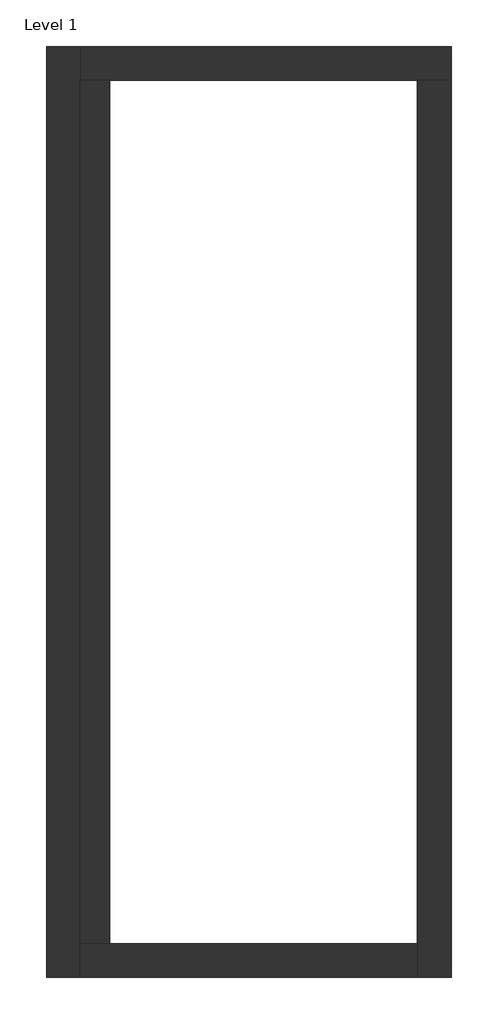
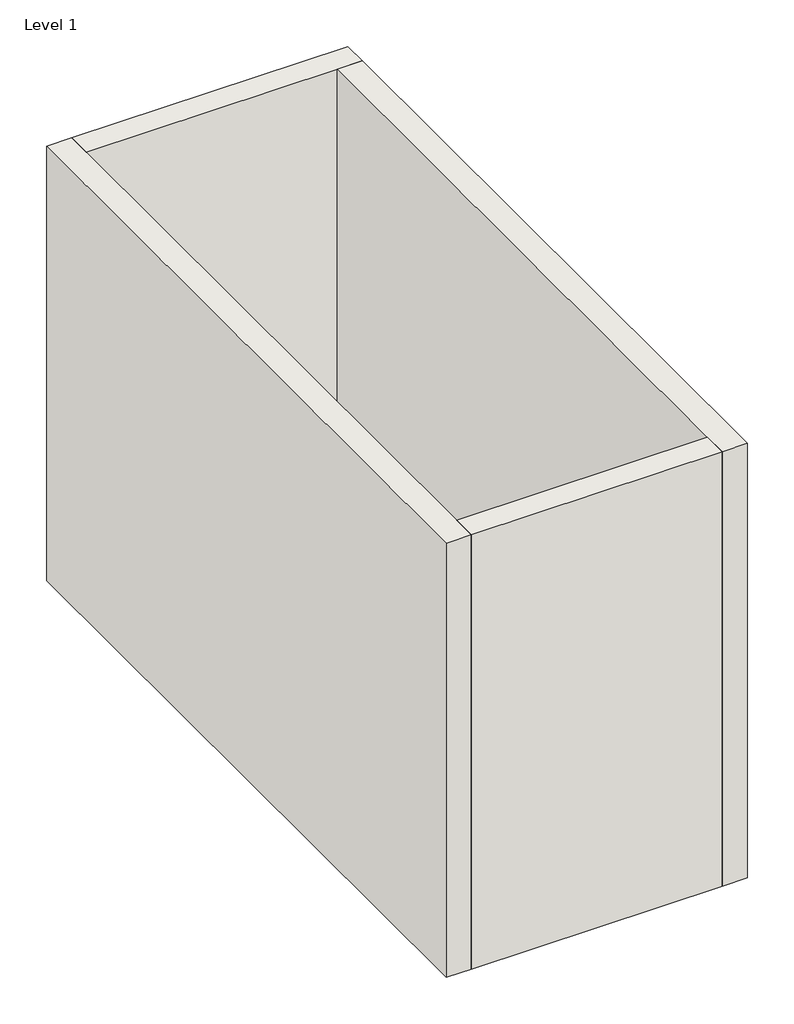
# One storey: 5 walls.
"""IFC4 building model written with IfcOpenShell, lengths in millimetres."""

from ifc_helpers import new_model, si_unit, origin, origin_with_axes, place, context, project, spatial, polyline, outline, extrude, faceted_brep, element, save

model = new_model("IFC4")

# Units and contexts
model_context = context("Model", 3, world=origin())
ifc_project = project(units=[si_unit("LENGTHUNIT", "METRE", prefix="MILLI")], contexts=[model_context])

# Site, building, storey
site = spatial("IfcSite", under=ifc_project)
building = spatial("IfcBuilding", under=site)
storey = spatial("IfcBuildingStorey", under=building, Name="Level 1", Elevation=0.0)

# Walls
placement = place(None, origin())
element("IfcWall", 1, ObjectType="190 BLOCK WALL", at=placement, inside=storey, context=model_context, shape_type="SweptSolid", body=[
    extrude(outline(polyline([(-3149.952434, -6332.5901711), (-3149.952434, -742.5901711), (-2959.952434, -742.5901711), (-2959.952434, -6332.5901711), (-3149.952434, -6332.5901711)])), origin_with_axes(), (0.0, 0.0, 1.0), 3400.0),
])
element("IfcWall", 2, ObjectType="E2 - Copper Metal Siding", at=placement, inside=storey, context=model_context, shape_type="Brep", body=[
    faceted_brep([(-3368.952434, -523.5901711, 0.0), (-3368.952434, -6551.5901711, 0.0), (-3368.952434, -6551.5901711, 4000.0), (-3368.952434, -523.5901711, 4000.0), (-3149.952434, -523.5901711, 0.0), (-3149.952434, -523.5901711, 4000.0), (-3149.952434, -742.5901711, 4000.0), (-3149.952434, -6332.5901711, 4000.0), (-3149.952434, -6551.5901711, 4000.0), (-3149.952434, -6551.5901711, 0.0), (-3149.952434, -6332.5901711, 0.0), (-3149.952434, -742.5901711, 0.0)], [[[0, 1, 2, 3]], [[4, 5, 6, 7, 8, 9, 10, 11]], [[1, 0, 4, 11, 10, 9]], [[3, 2, 8, 7, 6, 5]], [[2, 1, 9, 8]], [[0, 3, 5, 4]]]),
])
element("IfcWall", 3, ObjectType="E2 - Copper Metal Siding", at=placement, inside=storey, context=model_context, shape_type="Brep", body=[
    faceted_brep([(-3149.952434, -742.5901711, 0.0), (-964.952434, -742.5901711, 0.0), (-745.952434, -742.5901711, 0.0), (-745.952434, -742.5901711, 4000.0), (-964.952434, -742.5901711, 4000.0), (-3149.952434, -742.5901711, 4000.0), (-3149.952434, -523.5901711, 0.0), (-3149.952434, -523.5901711, 4000.0), (-745.952434, -523.5901711, 4000.0), (-745.952434, -523.5901711, 0.0)], [[[0, 1, 2, 3, 4, 5]], [[6, 7, 8, 9]], [[2, 1, 0, 6, 9]], [[5, 4, 3, 8, 7]], [[3, 2, 9, 8]], [[0, 5, 7, 6]]]),
])
element("IfcWall", 4, ObjectType="E2 - Copper Metal Siding", at=placement, inside=storey, context=model_context, shape_type="Brep", body=[
    faceted_brep([(-964.952434, -742.5901711, 0.0), (-964.952434, -6332.5901711, 0.0), (-964.952434, -6551.5901711, 0.0), (-964.952434, -6551.5901711, 4000.0), (-964.952434, -6332.5901711, 4000.0), (-964.952434, -742.5901711, 4000.0), (-745.952434, -742.5901711, 0.0), (-745.952434, -742.5901711, 4000.0), (-745.952434, -6551.5901711, 4000.0), (-745.952434, -6551.5901711, 0.0)], [[[0, 1, 2, 3, 4, 5]], [[6, 7, 8, 9]], [[2, 1, 0, 6, 9]], [[5, 4, 3, 8, 7]], [[0, 5, 7, 6]], [[3, 2, 9, 8]]]),
])
element("IfcWall", 5, ObjectType="E2 - Copper Metal Siding", at=placement, inside=storey, context=model_context, shape_type="SweptSolid", body=[
    extrude(outline(polyline([(-3149.952434, -6332.5901711), (-964.952434, -6332.5901711), (-964.952434, -6551.5901711), (-3149.952434, -6551.5901711), (-3149.952434, -6332.5901711)])), origin_with_axes(), (0.0, 0.0, 1.0), 4000.0),
])

save(model, "model.ifc")
